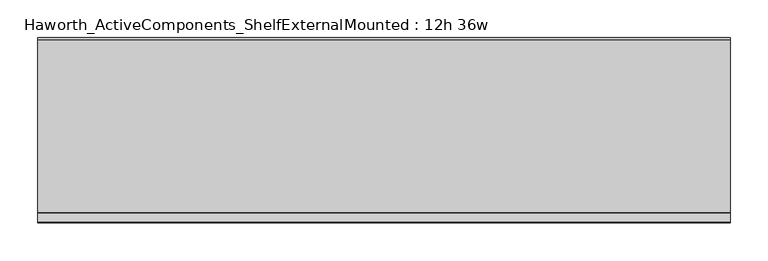
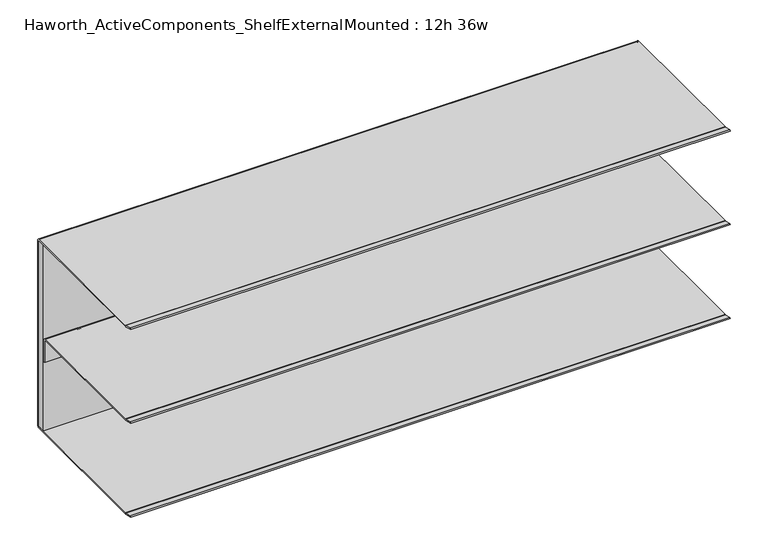
"""IFC4 building model written with IfcOpenShell, lengths in millimetres: furniture geometry, Haworth_ActiveComponents_ShelfExternalMounted : 12h 36w."""

from ifc_helpers import new_model, si_unit, point, frame, frame_2d, origin, place, context, project, spatial, polyline, circle_curve, trimmed, segment, composite_curve, outline, extrude, source, transform, mapped, element, save


def haworth_activecomponents_shelfexternalmounted_12h_36w_4eed4656(model_context):
    return source(origin(), model_context, "Body", "SweptSolid", [
        extrude(outline(polyline([(-2108.146931, -1108.8104248), (-2108.146931, -1096.1601932), (-1193.746931, -1096.1601932), (-1193.746931, -1108.8104248), (-2108.146931, -1108.8104248)])), frame((0.0, 0.0, 587.0955999), z_axis=(0.0, 0.0, 1.0), x_axis=(1.0, 0.0, 0.0)), (0.0, 0.0, 1.0), 299.0087945),
        extrude(outline(composite_curve([segment(polyline([(-1097.380424, 584.2), (-1325.9274211, 584.2)]), True, "CONTINUOUS"), segment(trimmed(circle_curve(frame_2d((-1325.9274211, 587.375)), 3.175), [point((-1325.9274211, 584.2))], [point((-1326.7491675, 584.3081844))], False, "CARTESIAN"), True, "CONTINUOUS"), segment(polyline([(-1326.7491675, 584.3081844), (-1338.9841932, 587.5865324), (-1338.4911456, 589.426621), (-1326.4983733, 586.2131843)]), True, "CONTINUOUS"), segment(trimmed(circle_curve(frame_2d((-1325.6766268, 589.2799999)), 3.175), [point((-1326.4983733, 586.2131843))], [point((-1325.6766268, 586.1049999))], True, "CARTESIAN"), True, "CONTINUOUS"), segment(polyline([(-1325.6766268, 586.1049999), (-1097.1943019, 586.1049999)]), True, "CONTINUOUS"), segment(trimmed(circle_curve(frame_2d((-1097.1943019, 587.1888762)), 1.0838764), [point((-1097.1943019, 586.1049999))], [point((-1096.1104256, 587.1888762))], True, "CARTESIAN"), True, "CONTINUOUS"), segment(polyline([(-1096.1104256, 587.1888762), (-1096.1104256, 886.0673706)]), True, "CONTINUOUS"), segment(trimmed(circle_curve(frame_2d((-1097.1380502, 886.0673706)), 1.0276247), [point((-1096.1104256, 886.0673706))], [point((-1097.1380502, 887.0949953))], True, "CARTESIAN"), True, "CONTINUOUS"), segment(polyline([(-1097.1380502, 887.0949953), (-1325.8780783, 887.0949953)]), True, "CONTINUOUS"), segment(trimmed(circle_curve(frame_2d((-1325.8780783, 890.2699953)), 3.175), [point((-1325.8780783, 887.0949953))], [point((-1326.6998504, 887.2031866))], False, "CARTESIAN"), True, "CONTINUOUS"), segment(polyline([(-1326.6998504, 887.2031866), (-1338.9344324, 890.4815255), (-1338.4413666, 892.3216203), (-1326.4490248, 889.1081913)]), True, "CONTINUOUS"), segment(trimmed(circle_curve(frame_2d((-1325.6272527, 892.175)), 3.175), [point((-1326.4490248, 889.1081913))], [point((-1325.6272527, 889.0))], True, "CARTESIAN"), True, "CONTINUOUS"), segment(polyline([(-1325.6272527, 889.0), (-1097.380424, 889.0)]), True, "CONTINUOUS"), segment(trimmed(circle_curve(frame_2d((-1097.380424, 885.825)), 3.175), [point((-1097.380424, 889.0))], [point((-1094.205424, 885.825))], False, "CARTESIAN"), True, "CONTINUOUS"), segment(polyline([(-1094.205424, 885.825), (-1094.205424, 587.375)]), True, "CONTINUOUS"), segment(trimmed(circle_curve(frame_2d((-1097.380424, 587.375)), 3.175), [point((-1094.205424, 587.375))], [point((-1097.380424, 584.2))], False, "CARTESIAN"), True, "CONTINUOUS")], self_intersect=False)), frame((-2108.146931, 0.0, 0.0), z_axis=(1.0, 0.0, 0.0), x_axis=(0.0, 1.0, 0.0)), (0.0, 0.0, 1.0), 914.4),
        extrude(outline(composite_curve([segment(polyline([(-1338.9344324, 739.0213301), (-1338.4413666, 740.8614249), (-1326.4490005, 737.6479893)]), True, "CONTINUOUS"), segment(trimmed(circle_curve(frame_2d((-1325.6272283, 740.714798)), 3.175), [point((-1326.4490005, 737.6479893))], [point((-1325.6272283, 737.539798))], True, "CARTESIAN"), True, "CONTINUOUS"), segment(polyline([(-1325.6272283, 737.539798), (-1113.319713, 737.539798)]), True, "CONTINUOUS"), segment(trimmed(circle_curve(frame_2d((-1113.319713, 734.5545084)), 2.9852896), [point((-1113.319713, 737.539798))], [point((-1110.3344234, 734.5545084))], False, "CARTESIAN"), True, "CONTINUOUS"), segment(polyline([(-1110.3344234, 734.5545084), (-1110.3344234, 699.439798), (-1112.2394238, 699.439798), (-1112.2394238, 734.6253876)]), True, "CONTINUOUS"), segment(trimmed(circle_curve(frame_2d((-1113.248836, 734.6253876)), 1.0094122), [point((-1112.2394238, 734.6253876))], [point((-1113.248836, 735.6347998))], True, "CARTESIAN"), True, "CONTINUOUS"), segment(polyline([(-1113.248836, 735.6347998), (-1325.8780783, 735.6347998)]), True, "CONTINUOUS"), segment(trimmed(circle_curve(frame_2d((-1325.8780783, 738.8097998)), 3.175), [point((-1325.8780783, 735.6347998))], [point((-1326.6998504, 735.7429911))], False, "CARTESIAN"), True, "CONTINUOUS"), segment(polyline([(-1326.6998504, 735.7429911), (-1338.9344324, 739.0213301)]), True, "CONTINUOUS")], self_intersect=False)), frame((-2108.146931, 0.0, 0.0), z_axis=(1.0, 0.0, 0.0), x_axis=(0.0, 1.0, 0.0)), (0.0, 0.0, 1.0), 914.4),
    ])


if __name__ == "__main__":
    model = new_model("IFC4")
    model_context = context("Model", 3, world=origin())
    ifc_project = project(units=[si_unit("LENGTHUNIT", "METRE", prefix="MILLI")], contexts=[model_context])
    site = spatial("IfcSite", under=ifc_project)
    building = spatial("IfcBuilding", under=site)
    placement = place(None, origin())
    haworth_activecomponents_shelfexternalmounted_12h_36w_shape = haworth_activecomponents_shelfexternalmounted_12h_36w_4eed4656(model_context)
    element("IfcFurniture", 1, ObjectType="Haworth_ActiveComponents_ShelfExternalMounted : 12h 36w", at=placement, inside=building, context=model_context, shape_type="MappedRepresentation", body=[
        mapped(haworth_activecomponents_shelfexternalmounted_12h_36w_shape, transform((0.0, 0.0, 0.0), x_axis=(1.0, 0.0, 0.0), y_axis=(0.0, 1.0, 0.0), z_axis=(0.0, 0.0, 1.0))),
    ])
    save(model, "model.ifc")
